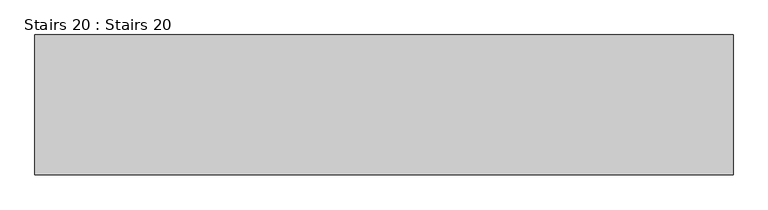
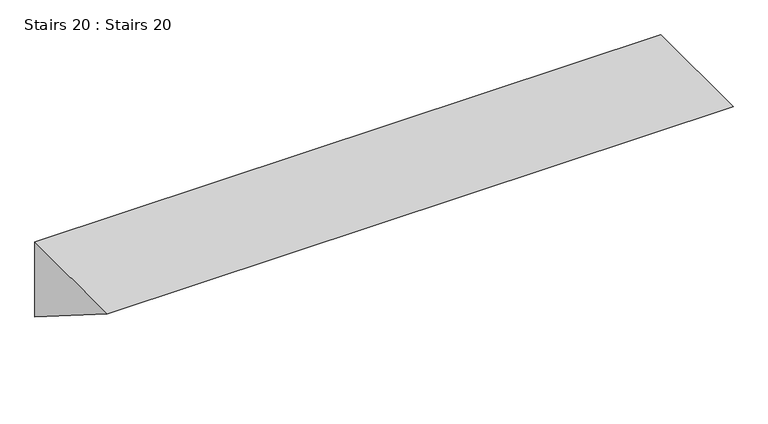
"""IFC4 building model written with IfcOpenShell, lengths in millimetres: stair geometry, Stairs 20 : Stairs 20."""

import ifcopenshell
import ifcopenshell.guid

model = None  # the IFC model being written
_history = None  # IfcOwnerHistory: only IFC2X3 demands one
_inside = {}  # id of a spatial element -> (the spatial element, [elements in it])
_under = {}  # id of a project, library or spatial element -> (it, [spatial elements below it])
_declared = {}  # id of a project -> (the project, [libraries it declares])
_typed = {}  # id of a type object -> (the type object, [elements of that type])
_made_of = {}  # id of a material, layer set ... -> (it, [elements and type objects made of it])


def new_model(schema):
    """Start an empty IFC model of exactly this schema.

    Asked for "IFC4X3", IfcOpenShell would pick the latest addendum, in which some entities
    have other attributes; the version numbers below select the first issue.
    IFC2X3 requires an IfcOwnerHistory on every rooted entity: one is made here for all.
    """
    global model, _history
    if schema == "IFC4X3":
        model = ifcopenshell.file(schema_version=(4, 3, 0, 0))
    else:
        model = ifcopenshell.file(schema=schema)
    _inside.clear()
    _under.clear()
    _declared.clear()
    _typed.clear()
    _made_of.clear()
    _history = None
    if model.schema == "IFC2X3":
        org = make("IfcOrganization", Name="unknown")
        user = make(
            "IfcPersonAndOrganization",
            ThePerson=make("IfcPerson", FamilyName="unknown"),
            TheOrganization=org,
        )
        app = make(
            "IfcApplication",
            ApplicationDeveloper=org,
            Version="unknown",
            ApplicationFullName="unknown",
            ApplicationIdentifier="unknown",
        )
        _history = make(
            "IfcOwnerHistory",
            OwningUser=user,
            OwningApplication=app,
            ChangeAction="ADDED",
            CreationDate=0,
        )
    return model


def make(cls, **values):
    """One entity of the class cls with the attributes given. An attribute that is None is left unset."""
    return model.create_entity(
        cls, **{name: value for name, value in values.items() if value is not None}
    )


def rooted(cls, **values):
    """An entity with a GlobalId (a new one), such as an element, a storey or a relation."""
    return make(cls, GlobalId=ifcopenshell.guid.new(), OwnerHistory=_history, **values)


def si_unit(unit_type, name, prefix=None):
    """IfcSIUnit, for example si_unit("LENGTHUNIT", "METRE", prefix="MILLI")."""
    return make("IfcSIUnit", UnitType=unit_type, Prefix=prefix, Name=name)


def assignment(units):
    """IfcUnitAssignment: the units of a project."""
    return None if units is None else make("IfcUnitAssignment", Units=units)


def point(xyz):
    """IfcCartesianPoint."""
    return None if xyz is None else make("IfcCartesianPoint", Coordinates=xyz)


def direction(xyz):
    """IfcDirection."""
    return None if xyz is None else make("IfcDirection", DirectionRatios=xyz)


def frame(location, z_axis=None, x_axis=None):
    """IfcAxis2Placement3D, a coordinate frame: its origin and axes. An axis left out is left unset."""
    return make(
        "IfcAxis2Placement3D",
        Location=point(location),
        Axis=direction(z_axis),
        RefDirection=direction(x_axis),
    )


def origin():
    """The frame at (0, 0, 0) with its axes left unset."""
    return frame((0.0, 0.0, 0.0))


def place(relative_to, where):
    """IfcLocalPlacement: puts the frame where relative to a parent placement (None: the world)."""
    return make(
        "IfcLocalPlacement", PlacementRelTo=relative_to, RelativePlacement=where
    )


def context(
    kind, dimensions, precision=None, world=None, true_north=None, identifier=None
):
    """IfcGeometricRepresentationContext, for example the 3D "Model" context."""
    return make(
        "IfcGeometricRepresentationContext",
        ContextIdentifier=identifier,
        ContextType=kind,
        CoordinateSpaceDimension=dimensions,
        Precision=precision,
        WorldCoordinateSystem=world,
        TrueNorth=true_north,
    )


def project(units=None, contexts=None):
    """IfcProject with its units and contexts."""
    return rooted(
        "IfcProject",
        Name="project",
        RepresentationContexts=contexts,
        UnitsInContext=assignment(units),
    )


def spatial(cls, under=None, at=None, **own):
    """A site, building, storey or space (cls), placed at a placement, below another one or the project."""
    s = rooted(cls, ObjectPlacement=at, **own)
    if under is not None:
        _under.setdefault(under.id(), (under, []))[1].append(s)
    return s


def polyline(points):
    """IfcPolyline through the points."""
    return make("IfcPolyline", Points=[point(p) for p in points])


def outline(outer, holes=None, kind="AREA"):
    """IfcArbitraryClosedProfileDef: a profile drawn as a closed curve; with holes, ...WithVoids."""
    if holes is None:
        return make("IfcArbitraryClosedProfileDef", ProfileType=kind, OuterCurve=outer)
    return make(
        "IfcArbitraryProfileDefWithVoids",
        ProfileType=kind,
        OuterCurve=outer,
        InnerCurves=holes,
    )


def extrude(swept, where, along, depth):
    """IfcExtrudedAreaSolid: the profile swept, set in the frame where, extruded along a direction by depth."""
    return make(
        "IfcExtrudedAreaSolid",
        SweptArea=swept,
        Position=where,
        ExtrudedDirection=direction(along),
        Depth=depth,
    )


def shape(context_of_items, identifier, shape_type, items):
    """IfcShapeRepresentation: the items that make up one representation, for example the "Body"."""
    return make(
        "IfcShapeRepresentation",
        ContextOfItems=context_of_items,
        RepresentationIdentifier=identifier,
        RepresentationType=shape_type,
        Items=items,
    )


def source(mapping_origin, context_of_items, identifier, shape_type, items):
    """IfcRepresentationMap: a shape defined once, which mapped items show again and again."""
    return make(
        "IfcRepresentationMap",
        MappingOrigin=mapping_origin,
        MappedRepresentation=shape(context_of_items, identifier, shape_type, items),
    )


def transform(
    local_origin,
    x_axis=None,
    y_axis=None,
    z_axis=None,
    scale=None,
    scale2=None,
    scale3=None,
    uniform=True,
):
    """IfcCartesianTransformationOperator3D, or its non-uniform kind. x_axis, y_axis, z_axis: its Axis1, 2, 3."""
    if uniform:
        return make(
            "IfcCartesianTransformationOperator3D",
            Axis1=direction(x_axis),
            Axis2=direction(y_axis),
            LocalOrigin=point(local_origin),
            Scale=scale,
            Axis3=direction(z_axis),
        )
    return make(
        "IfcCartesianTransformationOperator3DnonUniform",
        Axis1=direction(x_axis),
        Axis2=direction(y_axis),
        LocalOrigin=point(local_origin),
        Scale=scale,
        Axis3=direction(z_axis),
        Scale2=scale2,
        Scale3=scale3,
    )


def mapped(mapping_source, mapping_target):
    """IfcMappedItem: shows the shape of a source again, moved by a transform."""
    return make(
        "IfcMappedItem", MappingSource=mapping_source, MappingTarget=mapping_target
    )


def made_of(thing, what):
    """Note that an element or type object is made of a material, layer set ...; save() writes the relation."""
    if what is not None:
        _made_of.setdefault(what.id(), (what, []))[1].append(thing)
    return thing


def element(
    cls,
    number,
    at=None,
    inside=None,
    cuts=None,
    type_object=None,
    material=None,
    context=None,
    identifier="Body",
    shape_type=None,
    held_by="IfcProductDefinitionShape",
    body=None,
    shapes=None,
    **own,
):
    """One element of the class cls, such as IfcWall. Its Tag is "e" and its number.

    at: its placement. inside: the storey or other place that contains it. cuts: it is an
    opening in that element (IfcRelVoidsElement). A single representation is given by context,
    identifier, shape_type and body (its items); several are given by shapes. held_by: the class
    of the entity that holds the representations. save() writes the other relations.
    """
    e = rooted(cls, Tag="e%d" % number, ObjectPlacement=at, **own)
    if body is not None:
        shapes = [shape(context, identifier, shape_type, body)]
    if shapes is not None:
        e.Representation = make(held_by, Representations=shapes)
    if inside is not None:
        _inside.setdefault(inside.id(), (inside, []))[1].append(e)
    if cuts is not None:
        rooted(
            "IfcRelVoidsElement", RelatingBuildingElement=cuts, RelatedOpeningElement=e
        )
    if type_object is not None:
        _typed.setdefault(type_object.id(), (type_object, []))[1].append(e)
    return made_of(e, material)


def aggregate(whole, parts):
    """IfcRelAggregates: a whole, such as a stair, and the parts it consists of."""
    return rooted("IfcRelAggregates", RelatingObject=whole, RelatedObjects=parts)


def save(model, path):
    """Write the relations noted so far, then the file.

    IfcRelAggregates (storeys below a building ...), IfcRelContainedInSpatialStructure (elements
    in a storey), IfcRelDefinesByType, IfcRelAssociatesMaterial and IfcRelDeclares: one each for
    every whole, place, type object, material and project.
    """
    for whole, parts in _under.values():
        aggregate(whole, parts)
    for where, things in _inside.values():
        rooted(
            "IfcRelContainedInSpatialStructure",
            RelatedElements=things,
            RelatingStructure=where,
        )
    for kind, things in _typed.values():
        rooted("IfcRelDefinesByType", RelatedObjects=things, RelatingType=kind)
    for what, things in _made_of.values():
        rooted("IfcRelAssociatesMaterial", RelatedObjects=things, RelatingMaterial=what)
    for by, libraries in _declared.values():
        rooted("IfcRelDeclares", RelatingContext=by, RelatedDefinitions=libraries)
    model.write(path)


def stairs_20_stairs_20_508e7f3f(model_context):
    return source(origin(), model_context, "Body", "SweptSolid", [
        extrude(outline(polyline([(-10104.0672499, 1838.7111662), (-10390.9009528, 2020.0), (-10104.0672499, 2020.0), (-10104.0672499, 1838.7111662)])), frame((-30695.6912908, 0.0, 0.0), z_axis=(1.0, 0.0, 0.0), x_axis=(0.0, 1.0, 0.0)), (0.0, 0.0, 1.0), 1430.0),
    ])


if __name__ == "__main__":
    model = new_model("IFC4")
    model_context = context("Model", 3, world=origin())
    ifc_project = project(units=[si_unit("LENGTHUNIT", "METRE", prefix="MILLI")], contexts=[model_context])
    site = spatial("IfcSite", under=ifc_project)
    building = spatial("IfcBuilding", under=site)
    placement = place(None, origin())
    stairs_20_stairs_20_shape = stairs_20_stairs_20_508e7f3f(model_context)
    element("IfcStair", 1, ObjectType="Stairs 20 : Stairs 20", at=placement, inside=building, context=model_context, shape_type="MappedRepresentation", body=[
        mapped(stairs_20_stairs_20_shape, transform((0.0, 0.0, 0.0), x_axis=(1.0, 0.0, 0.0), y_axis=(0.0, 1.0, 0.0), z_axis=(0.0, 0.0, 1.0))),
    ])
    save(model, "model.ifc")
